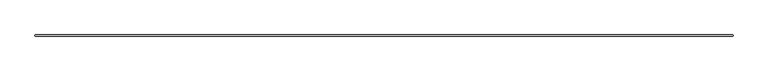
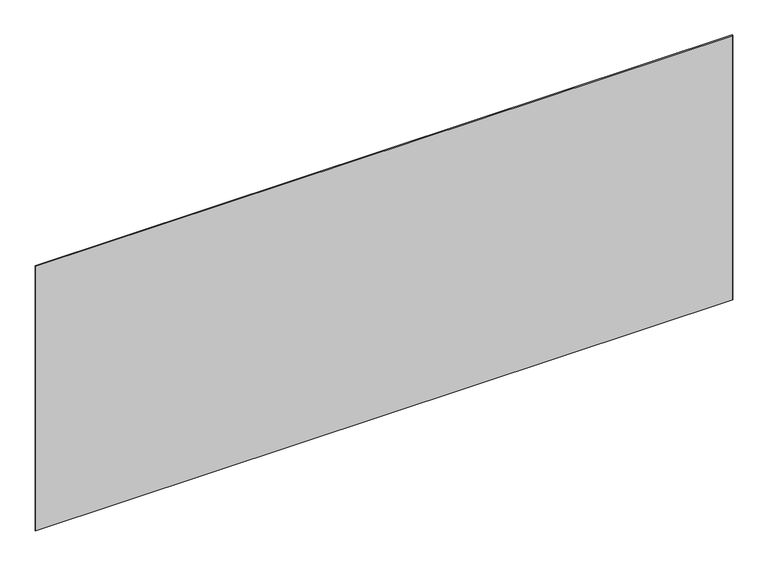
"""IFC4 building model written with IfcOpenShell, lengths in millimetres: plate geometry."""

from ifc_helpers import new_model, si_unit, origin, origin_with_axes, place, context, project, spatial, polyline, outline, extrude, source, transform, mapped, element, save


def plate_a7f62238(model_context):
    return source(origin(), model_context, "Body", "SweptSolid", [
        extrude(outline(polyline([(3028.95, 34.925), (3030.5375, 33.3375), (3030.5375, 26.9875), (3028.95, 25.4), (-3028.95, 25.4), (-3030.5375, 26.9875), (-3030.5375, 33.3375), (-3028.95, 34.925), (3028.95, 34.925)])), origin_with_axes(), (0.0, 0.0, 1.0), 2428.7789267),
    ])


if __name__ == "__main__":
    model = new_model("IFC4")
    model_context = context("Model", 3, world=origin())
    ifc_project = project(units=[si_unit("LENGTHUNIT", "METRE", prefix="MILLI")], contexts=[model_context])
    site = spatial("IfcSite", under=ifc_project)
    building = spatial("IfcBuilding", under=site)
    placement = place(None, origin())
    plate_shape = plate_a7f62238(model_context)
    element("IfcPlate", 1, at=placement, inside=building, context=model_context, shape_type="MappedRepresentation", body=[
        mapped(plate_shape, transform((0.0, 0.0, 0.0), x_axis=(1.0, 0.0, 0.0), y_axis=(0.0, 1.0, 0.0), z_axis=(0.0, 0.0, 1.0))),
    ])
    save(model, "model.ifc")
